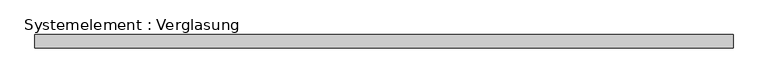
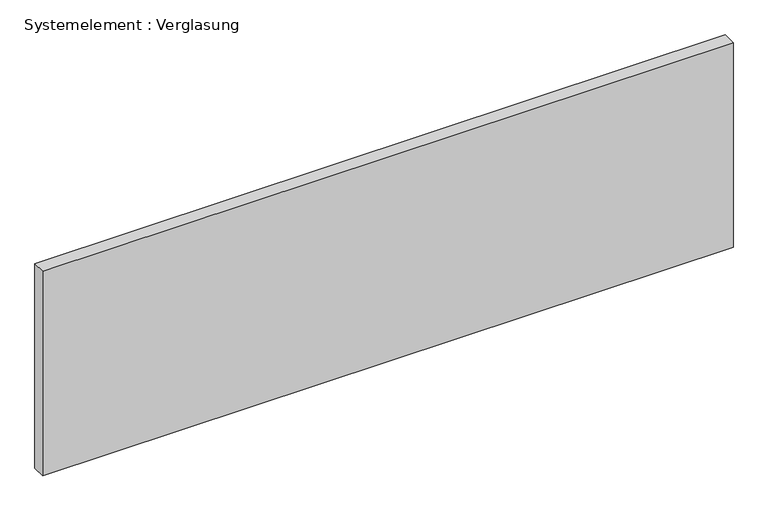
"""IFC4 building model written with IfcOpenShell, lengths in millimetres: plate geometry, Systemelement : Verglasung."""

from ifc_helpers import new_model, si_unit, origin, origin_with_axes, place, context, project, spatial, polyline, outline, extrude, source, transform, mapped, element, save


def systemelement_verglasung_2fc575e1(model_context):
    return source(origin(), model_context, "Body", "SweptSolid", [
        extrude(outline(polyline([(782.5, -15.0), (-782.5, -15.0), (-782.5, 15.0), (782.5, 15.0), (782.5, -15.0)])), origin_with_axes(), (0.0, 0.0, 1.0), 490.0),
    ])


if __name__ == "__main__":
    model = new_model("IFC4")
    model_context = context("Model", 3, world=origin())
    ifc_project = project(units=[si_unit("LENGTHUNIT", "METRE", prefix="MILLI")], contexts=[model_context])
    site = spatial("IfcSite", under=ifc_project)
    building = spatial("IfcBuilding", under=site)
    placement = place(None, origin())
    systemelement_verglasung_shape = systemelement_verglasung_2fc575e1(model_context)
    element("IfcPlate", 1, ObjectType="Systemelement : Verglasung", at=placement, inside=building, context=model_context, shape_type="MappedRepresentation", body=[
        mapped(systemelement_verglasung_shape, transform((0.0, 0.0, 0.0), x_axis=(1.0, 0.0, 0.0), y_axis=(0.0, 1.0, 0.0), z_axis=(0.0, 0.0, 1.0))),
    ])
    save(model, "model.ifc")
